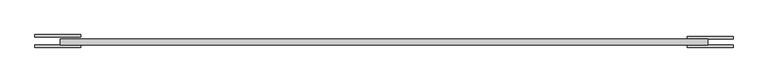
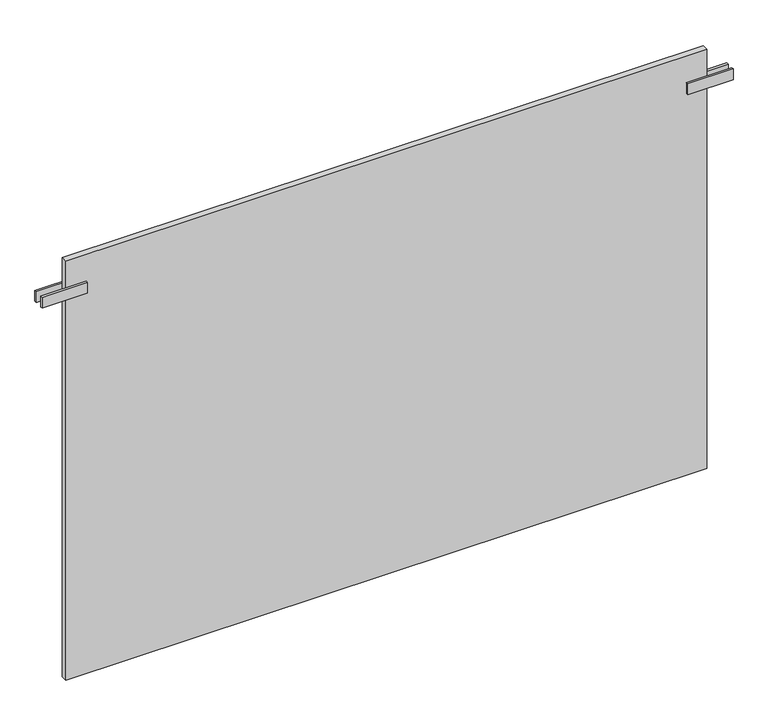
"""IFC4 building model written with IfcOpenShell, lengths in millimetres: plate geometry."""

from ifc_helpers import new_model, si_unit, frame, origin, origin_with_axes, place, context, project, spatial, polyline, outline, extrude, source, transform, mapped, element, save


def plate_21183218(model_context):
    return source(origin(), model_context, "Body", "SweptSolid", [
        extrude(outline(polyline([(662.5000001, -43.75), (662.5000001, -38.75), (762.5000001, -38.75), (762.5000001, -43.75), (662.5000001, -43.75)])), frame((0.0, 0.0, 891.5), z_axis=(0.0, 0.0, 1.0), x_axis=(1.0, 0.0, 0.0)), (0.0, 0.0, 1.0), 25.0),
        extrude(outline(polyline([(662.5000001, -20.25), (762.5000001, -20.25), (762.5000001, -25.25), (662.5000001, -25.25), (662.5000001, -20.25)])), frame((0.0, 0.0, 891.5), z_axis=(0.0, 0.0, 1.0), x_axis=(1.0, 0.0, 0.0)), (0.0, 0.0, 1.0), 25.0),
        extrude(outline(polyline([(-662.5000001, -43.75), (-762.5000001, -43.75), (-762.5000001, -38.75), (-662.5000001, -38.75), (-662.5000001, -43.75)])), frame((0.0, 0.0, 891.5), z_axis=(0.0, 0.0, 1.0), x_axis=(1.0, 0.0, 0.0)), (0.0, 0.0, 1.0), 25.0),
        extrude(outline(polyline([(-662.5000001, -16.25), (-662.5000001, -21.25), (-762.5000001, -21.25), (-762.5000001, -16.25), (-662.5000001, -16.25)])), frame((0.0, 0.0, 891.5), z_axis=(0.0, 0.0, 1.0), x_axis=(1.0, 0.0, 0.0)), (0.0, 0.0, 1.0), 25.0),
        extrude(outline(polyline([(707.5000001, -25.25), (707.5000001, -38.75), (-707.5000001, -38.75), (-707.5000001, -25.25), (707.5000001, -25.25)])), origin_with_axes(), (0.0, 0.0, 1.0), 979.0),
    ])


if __name__ == "__main__":
    model = new_model("IFC4")
    model_context = context("Model", 3, world=origin())
    ifc_project = project(units=[si_unit("LENGTHUNIT", "METRE", prefix="MILLI")], contexts=[model_context])
    site = spatial("IfcSite", under=ifc_project)
    building = spatial("IfcBuilding", under=site)
    placement = place(None, origin())
    plate_shape = plate_21183218(model_context)
    element("IfcPlate", 1, at=placement, inside=building, context=model_context, shape_type="MappedRepresentation", body=[
        mapped(plate_shape, transform((0.0, 0.0, 0.0), x_axis=(1.0, 0.0, 0.0), y_axis=(0.0, 1.0, 0.0), z_axis=(0.0, 0.0, 1.0))),
    ])
    save(model, "model.ifc")
